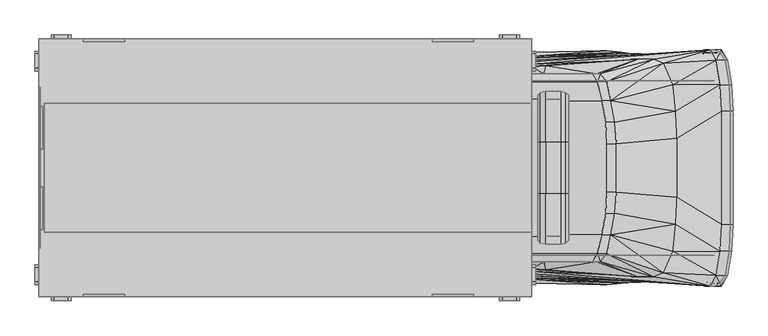
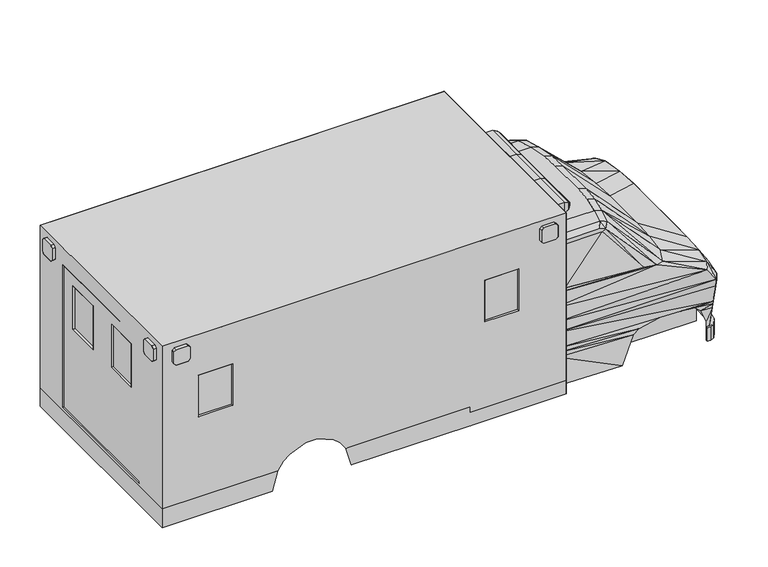
"""IFC4 building model written with IfcOpenShell, lengths in millimetres: proxy geometry."""

from ifc_helpers import new_model, si_unit, origin, place, context, project, spatial, triangles, source, transform, mapped, element, save


def entourage_f309a590(model_context):
    return source(origin(), model_context, "Body", "Tessellation", [
        triangles([(-25.4000008, -533.4, 558.8000484), (-25.4000008, -279.4000061, 558.8000484), (-76.2, -533.4, 558.8000484), (-76.2, -279.4000061, 558.8000484), (-25.4000008, -533.4, 393.7000606), (-25.4000008, -279.4000061, 393.7000242), (-126.999997, -1092.1999758, 558.8000848), (-76.2, -1015.9999758, 558.8000848), (-177.7999939, -1092.1999758, 558.8000848), (-126.999997, -1015.9999758, 558.8000848), (-38.1, -787.3999758, 558.8000484), (-88.899997, -787.3999758, 558.8000484), (-215.8999939, -1093.2835579, 558.8000848), (-215.8999939, -1117.6000242, 558.8000848), (-177.7999939, -1117.6000242, 558.8000848), (-177.7999939, -1117.6000242, 393.7000969), (-126.999997, -1092.1999758, 393.7000969), (-215.8999939, -1092.1999758, 393.7000969), (-215.8999939, -1117.6000242, 393.7000969), (-76.2, -1015.9999758, 393.7000969), (-38.1, -787.3999758, 393.7000606), (-25.4000008, 279.4000061, 558.7999394), (-25.4000008, 533.4, 558.7999394), (-76.2, 533.4, 558.7999394), (-76.2, 279.4000061, 558.7999394), (-25.4000008, 279.4000061, 393.6999879), (-25.4000008, 533.4, 393.6999516), (-76.2, 1015.9999758, 558.7999031), (-126.999997, 1092.1999758, 558.7999031), (-177.7999939, 1092.1999758, 558.7999031), (-126.999997, 1015.9999758, 558.7999031), (-38.1, 787.3999758, 558.7999394), (-88.899997, 787.3999758, 558.7999394), (-215.8999939, 1117.6000242, 558.7999031), (-215.8999939, 1093.2835579, 558.7999031), (-177.7999939, 1117.6000242, 558.7999031), (-177.7999939, 1117.6000242, 393.6999152), (-126.999997, 1092.1999758, 393.6999152), (-215.8999939, 1117.6000242, 393.6999152), (-215.8999939, 1092.1999758, 393.6999152), (-76.2, 1015.9999758, 393.6999152), (-38.1, 787.3999758, 393.6999152)], [[1, 2, 3], [3, 4, 2], [5, 6, 2], [2, 1, 5], [7, 8, 9], [10, 9, 8], [8, 11, 10], [12, 10, 11], [13, 14, 7], [15, 7, 14], [7, 15, 16], [16, 17, 7], [18, 19, 14], [14, 13, 18], [15, 14, 16], [19, 16, 14], [17, 20, 8], [8, 7, 17], [20, 21, 11], [11, 8, 20], [21, 5, 1], [1, 11, 21], [11, 1, 12], [3, 12, 1], [22, 23, 24], [24, 25, 22], [26, 27, 22], [23, 22, 27], [28, 29, 30], [30, 31, 28], [32, 28, 31], [31, 33, 32], [34, 35, 29], [29, 36, 34], [36, 29, 37], [38, 37, 29], [39, 40, 34], [35, 34, 40], [34, 36, 37], [37, 39, 34], [41, 38, 28], [29, 28, 38], [42, 41, 32], [28, 32, 41], [27, 42, 23], [32, 23, 42], [23, 32, 33], [33, 24, 23], [6, 26, 22], [22, 2, 6], [2, 22, 4], [25, 4, 22], [2, 22, 25], [4, 25, 2], [6, 26, 2], [2, 22, 26]], closed=False),
        triangles([(-6515.1, -609.6, 863.6001211), (-6515.1, -609.6, 482.6000484), (-1917.6999516, -609.6, 863.6001211), (-1917.6999516, -609.6, 482.6000484), (-6515.1, 609.6, 482.5999394), (-6515.1, 609.6, 863.5999031), (-1917.6999516, 609.6, 863.5999031), (-1917.6999516, 609.6, 482.5999394)], [[1, 2, 3], [4, 3, 2], [5, 6, 7], [7, 8, 5], [5, 2, 6], [1, 6, 2], [2, 5, 4], [8, 4, 5]], closed=False),
        triangles([(-533.4, -279.4000242, 1435.1000484), (-1104.9, -228.5999818, 2031.9999516), (-1117.6000242, -431.7999516, 2031.9999516), (-546.0999879, -533.4000363, 1435.1000484), (-1155.7000242, -634.9999758, 2031.9999516), (-571.5, -787.4000484, 1435.1000484), (-660.4000242, -990.6, 1447.8001453), (-1193.8000242, -812.7999516, 2019.3), (-901.6999758, -1028.7, 1485.9001453), (-1295.4, -889.0000242, 1968.5000484), (-1765.2999516, -965.1019197, 1496.454443), (-1790.7, -889.0000242, 1968.5000484), (-749.2999758, -1028.7, 1460.5000969), (-1257.3, -889.0000242, 1993.8999516), (-1104.9, 228.6000182, 2031.9999516), (-533.4, 279.3999697, 1435.1000484), (-1117.6000242, 431.8000606, 2031.9999516), (-546.0999879, 533.3999637, 1435.1000484), (-1155.7000242, 635.0000484, 2031.9999516), (-571.5, 787.3999758, 1435.0999031), (-660.4000242, 990.6, 1447.7998547), (-1193.8000242, 812.8000242, 2019.3), (-901.6999758, 1028.7, 1485.8998547), (-1295.4, 889.0000242, 1968.5000484), (-1765.2999516, 965.1019197, 1496.4541523), (-1790.7, 889.0000242, 1968.5000484), (-749.2999758, 1028.7, 1460.4999516), (-1257.3, 889.0000242, 1993.8999516)], [[1, 2, 3], [1, 3, 4], [4, 3, 5], [4, 5, 6], [7, 6, 5], [7, 5, 8], [9, 10, 11], [11, 10, 12], [13, 7, 8], [13, 8, 14], [15, 16, 17], [17, 16, 18], [17, 18, 19], [19, 18, 20], [20, 21, 19], [19, 21, 22], [23, 24, 25], [25, 24, 26], [21, 27, 22], [22, 27, 28], [1, 16, 15], [15, 2, 1], [1, 16, 2], [2, 15, 16]], closed=False),
        triangles([(-76.2, -533.4, 558.8000484), (-76.2, -279.4000242, 558.8000484), (-38.1, -279.4000061, 812.8000242), (-38.1, -533.4, 812.8000242), (0.0, -533.4, 1028.7), (0.0, -279.3999697, 1028.7), (-126.999997, -1015.9999758, 558.8000848), (-88.899997, -787.3999758, 558.8000484), (-50.8000015, -787.3999758, 812.8000969), (-88.899997, -1015.9999758, 812.8000969), (-76.2, 279.3999697, 558.7999394), (-76.2, 533.4, 558.7999394), (-38.1, 279.4000061, 812.7999516), (-38.1, 533.4, 812.7999516), (0.0, 533.4, 1028.7), (0.0, 279.4000242, 1028.7), (-88.899997, 787.3999758, 558.7999394), (-126.999997, 1015.9999758, 558.7999031), (-50.8000015, 787.3999758, 812.7999516), (-88.899997, 1015.9999758, 812.7998789)], [[1, 2, 3], [3, 4, 1], [4, 3, 5], [5, 6, 3], [7, 8, 9], [9, 10, 7], [8, 1, 4], [4, 9, 8], [11, 12, 13], [14, 13, 12], [13, 14, 15], [15, 16, 13], [17, 18, 19], [20, 19, 18], [12, 17, 14], [19, 14, 17], [2, 11, 13], [13, 3, 2], [3, 13, 6], [16, 6, 13], [3, 13, 16], [6, 16, 3], [2, 11, 3], [3, 13, 11]], closed=False),
        triangles([(-88.899997, 1015.9999758, 812.8000242), (-139.700003, 1092.1999758, 812.8000242), (-114.3, 1104.9, 1028.7), (-50.8000015, 1015.9999758, 1028.7)], [[1, 2, 3], [1, 3, 4]], closed=False),
        triangles([(-1117.6000242, -431.7999516, 2031.9999516), (-1104.9, -228.5999455, 2031.9999516), (-1206.4999758, -431.7999516, 2057.4), (-1193.8000242, -228.5999455, 2057.4), (-1771.3641163, -647.6999273, 2222.4999516), (-1771.3641163, -647.6999273, 2171.7), (-1631.6642132, -647.6999273, 2222.4999516), (-1631.6642132, -647.6999273, 2171.7), (-2286.0, -1219.1999273, 2247.9001453), (-1905.0, -1219.1999273, 2616.2001938), (-3009.9, -1219.1999273, 2247.9001453), (-3009.9, -1219.1999273, 2616.2001938), (-1333.5, -889.0000242, 2019.3), (-1295.4, -889.0000242, 1968.5000484), (-1257.3, -889.0000242, 1993.8999516), (-1905.0, -889.0000242, 2019.3), (-1790.7, -889.0000242, 1968.5000484), (-1282.7000484, -812.7999516, 2044.7000484), (-1905.0, -812.7999516, 2044.7000484), (-1902.2000256, -955.6152168, 1498.6000969), (-1765.2999516, -965.1019197, 1496.454443), (-2451.1000969, -1193.7998789, 2120.9001938), (-2451.1000969, -1219.1999273, 2120.9001938), (-2844.7999031, -1219.1999273, 2120.9001938), (-2844.7999031, -1193.7998789, 2120.9001938), (-2844.7999031, -1193.8000242, 1612.9000969), (-2844.7999031, -1219.2, 1612.9000969), (-2451.1000969, -1219.2, 1612.9000969), (-2451.1000969, -1193.8000242, 1612.9000969), (-1244.6000484, -634.9999758, 2057.4), (-1905.0, -634.9999758, 2057.4), (-749.2999758, -1028.7, 1460.5000969), (-901.6999758, -1028.7, 1485.9001453), (-1902.2000256, -960.1545473, 1460.5000969), (-1193.8000242, -812.7999516, 2019.3), (-1155.7000242, -634.9999758, 2031.9999516), (-1905.0, -431.7999516, 2057.4), (-1905.0, -228.5999455, 2057.4), (0.0, -533.4000363, 1028.7), (0.0, -279.4000424, 1028.7), (0.0, -279.4000242, 1104.9), (0.0, -533.4000363, 1104.9), (-114.3, -1104.9, 1028.7000727), (-50.8000015, -1015.9999758, 1028.7000727), (-50.8000015, -1015.9999758, 1104.9000727), (-114.3, -1117.6000242, 1117.6000969), (-12.7000004, -787.4000484, 1028.7000727), (-12.7000004, -787.4000484, 1104.9000727), (-177.7999939, -1092.2001211, 558.8000848), (-126.999997, -1016.0001211, 558.8000848), (-88.899997, -1016.0001211, 812.8000969), (-139.700003, -1092.2001211, 812.8000969), (-167.9862579, -1092.2001211, 622.3000969), (-215.8999939, -1093.2836306, 622.3000969), (-215.8999939, -1093.2836306, 558.8000848), (-145.6922699, -1092.2001211, 762.0000727), (-279.4000061, -1090.5215899, 774.7000969), (-342.9, -1080.8544474, 825.5001211), (-135.5076172, -1092.2001211, 838.2000727), (-507.9999879, -1080.6250282, 841.0642874), (-1892.3000484, -825.5001211, 457.2000363), (-177.7999939, -825.5001211, 457.2000363), (-1905.0, -825.5001211, 901.7001211), (-177.7999939, -825.5001211, 901.7001211), (-1905.0, -1003.5843092, 1143.0000727), (-1905.0, -1019.6292601, 1028.7000727), (-1898.6115818, -1039.3972395, 850.9000969), (-1899.4102249, -1046.4658487, 800.1000727), (-990.6, -1084.9975084, 800.1000727), (-749.2999758, -1075.0908457, 843.8744356), (-1054.0999758, -1091.9026102, 749.3001211), (-1900.2853168, -1053.483589, 749.3001211), (-1905.0, -1092.2001211, 431.8000969), (-1193.8000242, -1105.5898561, 431.8000969), (-215.8999939, -1117.6000242, 1270.0000969), (-1905.0, -980.0643785, 1308.1000969), (-660.4000242, -990.6, 1447.8001453), (-165.1000061, -1015.9999758, 1282.7000484), (-1905.0, -1092.2001211, 444.5000848), (-1905.0, -1041.4000969, 444.5000848), (-571.5, -787.3999758, 1435.1000484), (-126.999997, -787.3999758, 1282.7000484), (-546.0999879, -533.4, 1435.1000484), (-114.3, -533.4, 1282.7000484), (-1905.0, -787.4001211, 444.5000484), (-1905.0, -533.400109, 444.5000484), (-533.4, -279.4000061, 1435.1000484), (-114.3, -279.4000242, 1282.7000484), (-1905.0, -228.6000908, 444.5000121), (-2286.0, -1219.2001453, 571.500109), (-1905.0, -1219.2001453, 571.500109), (-3009.9, -1219.2001453, 571.500109), (-6553.2, 7.88e-05, 2412.9999516), (-6553.2, -177.7999394, 2260.5999516), (-6553.2, -761.9999273, 2412.9999516), (-6553.2, -584.1999516, 2260.5999516), (-6527.7998062, -584.1999516, 2260.5999516), (-6527.7998062, -177.7999394, 2260.5999516), (-6565.8998062, 7.88e-05, 2412.9999516), (-6565.8998062, -761.9999273, 2412.9999516), (-6527.7998062, -177.7999758, 1727.1999516), (-6553.2, -177.7999758, 1727.1999516), (-6527.7998062, -584.1999879, 1727.1999516), (-6553.2, -584.1999879, 1727.1999516), (-5753.1, -1219.1999273, 2120.9001938), (-5753.1, -1193.7998789, 2120.9001938), (-6146.7998062, -1193.7998789, 2120.9001938), (-6146.7998062, -1219.1999273, 2120.9001938), (-6146.7998062, -1219.2, 1612.9000969), (-6146.7998062, -1193.8000242, 1612.9000969), (-5753.1, -1193.8000242, 1612.9000969), (-5753.1, -1219.2, 1612.9000969), (-6565.8998062, -1219.1999273, 2616.2001938), (-5753.1, -1219.1999273, 2616.2001938), (-6565.8998062, -762.0000727, 673.1000484), (-6553.2, -762.0000727, 673.1000484), (-6553.2, -7.33e-05, 673.0999758), (-6565.8998062, -7.33e-05, 673.0999758), (-6565.8998062, -1219.2001453, 787.4001211), (-5092.7001938, -1219.2001453, 787.4001211), (-6565.8998062, -1219.2001453, 863.6001211), (-4902.2001938, -1219.2001453, 863.6001211), (-6565.8998062, -1219.2001453, 723.9000727), (-5168.9001938, -1219.2001453, 723.9000727), (-6565.8998062, -1219.2001453, 635.0001211), (-5232.3998062, -1219.2001453, 635.0001211), (-5753.1, -1219.2001453, 863.6001211), (-4444.9999031, -1219.2001453, 635.0001211), (-3009.9, -1219.2001453, 635.0001211), (-3009.9, -1219.2001453, 723.9000727), (-4508.5000969, -1219.2001453, 723.9000727), (-4584.7000969, -1219.2001453, 787.4001211), (-3009.9, -1219.2001453, 787.4001211), (-3009.9, -1219.2001453, 863.6001211), (-4775.2000969, -1219.2001453, 863.6001211), (-1104.9, 228.6000545, 2031.9999516), (-1117.6000242, 431.8000606, 2031.9999516), (-1206.4999758, 431.8000606, 2057.4), (-1193.8000242, 228.6000545, 2057.4), (-1771.3641163, 647.7000727, 2222.4999516), (-1771.3641163, 647.7000727, 2171.7), (-1631.6642132, 647.7000727, 2222.4999516), (-1631.6642132, 647.7000727, 2171.7), (-2286.0, 1219.2001453, 2247.8998547), (-1905.0, 1219.2001453, 2616.1999031), (-3009.9, 1219.2001453, 2247.8998547), (-3009.9, 1219.2001453, 2616.1999031), (-1295.4, 889.0000242, 1968.5000484), (-1333.5, 889.0000242, 2019.3), (-1257.3, 889.0000242, 1993.8999516), (-1790.7, 889.0000242, 1968.5000484), (-1905.0, 889.0000242, 2019.3), (-1282.7000484, 812.8000242, 2044.7000484), (-1905.0, 812.8000242, 2044.7000484), (-1902.2000256, 955.6152168, 1498.5999516), (-1765.2999516, 965.1019197, 1496.4541523), (-2451.1000969, 1193.8000969, 2120.8997578), (-2451.1000969, 1219.2001453, 2120.8997578), (-2844.7999031, 1219.2001453, 2120.8997578), (-2844.7999031, 1193.8000969, 2120.8997578), (-2844.7999031, 1193.8000242, 1612.8999516), (-2844.7999031, 1219.2, 1612.8999516), (-2451.1000969, 1219.2, 1612.8999516), (-2451.1000969, 1193.8000242, 1612.8999516), (-1244.6000484, 635.0000484, 2057.4), (-1905.0, 635.0000484, 2057.4), (-901.6999758, 1028.7, 1485.8998547), (-749.2999758, 1028.7, 1460.4999516), (-1902.2000256, 960.1545473, 1460.4999516), (-1193.8000242, 812.8000242, 2019.3), (-1155.7000242, 635.0000484, 2031.9999516), (-1905.0, 431.8000606, 2057.4), (-1905.0, 228.6000545, 2057.4), (0.0, 279.3999516, 1028.7), (0.0, 533.3999637, 1028.7), (0.0, 279.3999697, 1104.9), (0.0, 533.3999637, 1104.9), (-50.8000015, 1015.9999758, 1028.6999273), (-114.3, 1104.9, 1028.6999273), (-50.8000015, 1015.9999758, 1104.8999273), (-114.3, 1117.6000242, 1117.5998789), (-12.7000004, 787.3999758, 1028.6999273), (-12.7000004, 787.3999758, 1104.8999273), (-126.999997, 1015.9999031, 558.7999031), (-177.7999939, 1092.1999031, 558.7999031), (-88.899997, 1015.9999031, 812.7998789), (-139.700003, 1092.1999031, 812.7998789), (-167.9862579, 1092.1999031, 622.2998789), (-215.8999939, 1093.2834852, 622.2998789), (-215.8999939, 1093.2834852, 558.7999031), (-145.6922699, 1092.1999031, 761.9999273), (-279.4000061, 1090.5214445, 774.6998789), (-342.9, 1080.854302, 825.4999031), (-135.5076172, 1092.1999031, 838.1999273), (-507.9999879, 1080.6248102, 841.0640694), (-1892.3000484, 825.4999031, 457.1999637), (-177.7999939, 825.4999031, 457.1999637), (-1905.0, 825.4999031, 901.6999031), (-177.7999939, 825.4999031, 901.6999031), (-1905.0, 1019.6292601, 1028.6999273), (-1905.0, 1003.5843092, 1142.9999273), (-1898.6115818, 1039.3970215, 850.8998789), (-1899.4102249, 1046.4657034, 800.0999273), (-990.6, 1084.9973631, 800.0999273), (-749.2999758, 1075.0907003, 843.8742903), (-1054.0999758, 1091.9024649, 749.2999031), (-1900.2853168, 1053.483371, 749.2999031), (-1905.0, 1092.1999031, 431.7999152), (-1193.8000242, 1105.5897108, 431.7999152), (-215.8999939, 1117.6000242, 1269.9999516), (-1905.0, 980.0643785, 1308.0999516), (-660.4000242, 990.6, 1447.7998547), (-165.1000061, 1015.9999758, 1282.6999031), (-1905.0, 1092.1999031, 444.4999031), (-1905.0, 1041.3998789, 444.4999031), (-126.999997, 787.3999758, 1282.6999031), (-571.5, 787.3999758, 1435.0999031), (-546.0999879, 533.4, 1435.1000484), (-114.3, 533.4, 1282.7000484), (-1905.0, 787.3999031, 444.4999394), (-1905.0, 533.399891, 444.4999394), (-533.4, 279.4000061, 1435.1000484), (-114.3, 279.3999697, 1282.7000484), (-1905.0, 228.5999092, 444.5000121), (-2286.0, 1219.1999273, 571.499891), (-1905.0, 1219.1999273, 571.499891), (-3009.9, 1219.1999273, 571.499891), (-6553.2, 177.8000666, 2260.5999516), (-6553.2, 762.0000727, 2412.9999516), (-6553.2, 584.2000606, 2260.5999516), (-6527.7998062, 584.2000606, 2260.5999516), (-6527.7998062, 177.8000666, 2260.5999516), (-6565.8998062, 762.0000727, 2412.9999516), (-6553.2, 177.8000303, 1727.1999516), (-6527.7998062, 177.8000303, 1727.1999516), (-6527.7998062, 584.1999879, 1727.1999516), (-6553.2, 584.1999879, 1727.1999516), (-5753.1, 1193.8000969, 2120.8997578), (-5753.1, 1219.2001453, 2120.8997578), (-6146.7998062, 1193.8000969, 2120.8997578), (-6146.7998062, 1219.2001453, 2120.8997578), (-6146.7998062, 1193.8000242, 1612.8999516), (-6146.7998062, 1219.2, 1612.8999516), (-5753.1, 1193.8000242, 1612.8999516), (-5753.1, 1219.2, 1612.8999516), (-6565.8998062, 1219.2001453, 2616.1999031), (-5753.1, 1219.2001453, 2616.1999031), (-6553.2, 761.9999273, 673.0999758), (-6565.8998062, 761.9999273, 673.0999758), (-6565.8998062, 1219.1999273, 787.3999031), (-5092.7001938, 1219.1999273, 787.3999031), (-6565.8998062, 1219.1999273, 863.5999031), (-4902.2001938, 1219.1999273, 863.5999031), (-6565.8998062, 1219.1999273, 723.8999273), (-5168.9001938, 1219.1999273, 723.8999273), (-6565.8998062, 1219.1999273, 634.9999031), (-5232.3998062, 1219.1999273, 634.9999031), (-5753.1, 1219.1999273, 863.5999031), (-4444.9999031, 1219.1999273, 634.9999031), (-3009.9, 1219.1999273, 634.9999031), (-3009.9, 1219.1999273, 723.8999273), (-4508.5000969, 1219.1999273, 723.8999273), (-4584.7000969, 1219.1999273, 787.3999031), (-3009.9, 1219.1999273, 787.3999031), (-3009.9, 1219.1999273, 863.5999031), (-4775.2000969, 1219.1999273, 863.5999031), (-1905.0, -647.6999273, 2171.7), (-1625.6000484, -647.6999273, 2171.7), (-1625.6000484, 647.7000727, 2171.7), (-1905.0, 647.7000727, 2171.7), (-1580.864407, -241.2999334, 2324.1), (-1580.864407, 241.3000787, 2324.1), (-1631.6642132, 241.3000787, 2349.5000484), (-1631.6642132, -241.2999334, 2349.5000484), (-1555.4643585, -241.2999334, 2260.5999516), (-1555.4643585, 241.3000787, 2260.5999516), (-1555.4643585, 241.3000787, 2298.6999516), (-1555.4643585, -241.2999334, 2298.6999516), (-1771.3641163, -241.2999334, 2349.5000484), (-1771.3641163, 241.3000787, 2349.5000484), (-1822.1642132, 241.3000787, 2324.1), (-1822.1642132, -241.2999334, 2324.1), (-1847.5641163, -241.2999334, 2298.6999516), (-1847.5641163, 241.3000787, 2298.6999516), (-1847.5641163, 241.3000787, 2260.5999516), (-1847.5641163, -241.2999334, 2260.5999516), (-1631.6642132, -241.2999334, 2222.4999516), (-1631.6642132, 241.3000787, 2222.4999516), (-1580.864407, 241.3000787, 2235.2000484), (-1580.864407, -241.2999334, 2235.2000484), (-1822.1642132, -241.2999334, 2235.2000484), (-1822.1642132, 241.3000787, 2235.2000484), (-1771.3641163, 241.3000787, 2222.4999516), (-1771.3641163, -241.2999334, 2222.4999516), (-1905.0, -1219.2001453, 406.4000848), (-1905.0, 1219.1999273, 406.3999031)], [[1, 2, 3], [4, 3, 2], [5, 6, 7], [8, 7, 6], [9, 10, 11], [12, 11, 10], [13, 14, 15], [16, 17, 13], [14, 13, 17], [13, 18, 19], [19, 16, 13], [16, 20, 17], [17, 20, 21], [22, 23, 24], [24, 25, 22], [26, 27, 28], [28, 29, 26], [25, 24, 26], [27, 26, 24], [29, 28, 22], [23, 22, 28], [23, 9, 11], [11, 24, 23], [18, 30, 31], [31, 19, 18], [32, 33, 34], [34, 33, 20], [32, 15, 33], [33, 15, 14], [13, 15, 18], [18, 15, 35], [36, 1, 30], [3, 30, 1], [30, 3, 37], [37, 31, 30], [35, 36, 18], [30, 18, 36], [3, 4, 38], [38, 37, 3], [39, 40, 41], [41, 42, 39], [43, 44, 45], [43, 45, 46], [44, 47, 48], [48, 45, 44], [49, 50, 51], [51, 52, 49], [53, 54, 49], [49, 54, 55], [56, 57, 54], [56, 54, 53], [56, 52, 57], [57, 52, 58], [59, 60, 58], [59, 58, 52], [47, 39, 42], [42, 48, 47], [61, 62, 63], [64, 63, 62], [65, 66, 46], [46, 66, 43], [59, 43, 66], [59, 66, 67], [68, 69, 67], [67, 69, 70], [71, 69, 68], [71, 68, 72], [73, 74, 72], [72, 74, 71], [75, 32, 76], [76, 32, 34], [32, 75, 77], [77, 75, 78], [16, 19, 79], [80, 79, 19], [81, 82, 83], [83, 82, 84], [31, 37, 85], [86, 85, 37], [19, 31, 80], [85, 80, 31], [77, 78, 81], [81, 78, 82], [83, 84, 87], [87, 84, 88], [37, 38, 86], [89, 86, 38], [90, 91, 10], [10, 9, 90], [24, 11, 27], [92, 27, 11], [27, 92, 90], [90, 28, 27], [28, 90, 23], [9, 23, 90], [93, 94, 95], [96, 95, 94], [97, 96, 98], [94, 98, 96], [99, 93, 95], [95, 100, 99], [101, 102, 103], [104, 103, 102], [98, 94, 102], [102, 101, 98], [103, 104, 96], [96, 97, 103], [105, 106, 107], [107, 108, 105], [109, 110, 111], [111, 112, 109], [108, 107, 109], [110, 109, 107], [112, 111, 105], [106, 105, 111], [108, 113, 114], [114, 105, 108], [115, 116, 117], [117, 118, 115], [119, 120, 121], [122, 121, 120], [123, 124, 120], [120, 119, 123], [125, 126, 123], [124, 123, 126], [112, 127, 121], [121, 109, 112], [109, 121, 108], [113, 108, 121], [95, 96, 104], [104, 116, 95], [116, 104, 117], [102, 117, 104], [117, 102, 94], [94, 93, 117], [113, 100, 125], [115, 125, 100], [100, 95, 115], [116, 115, 95], [128, 129, 130], [130, 131, 128], [131, 130, 132], [133, 132, 130], [132, 133, 134], [134, 135, 132], [114, 127, 12], [134, 12, 127], [136, 137, 138], [138, 139, 136], [140, 141, 142], [143, 142, 141], [144, 145, 146], [147, 146, 145], [148, 149, 150], [151, 152, 149], [149, 148, 151], [153, 149, 154], [152, 154, 149], [155, 152, 151], [155, 151, 156], [157, 158, 159], [159, 160, 157], [161, 162, 163], [163, 164, 161], [160, 159, 161], [162, 161, 159], [164, 163, 157], [158, 157, 163], [158, 144, 146], [146, 159, 158], [165, 153, 166], [154, 166, 153], [167, 168, 169], [167, 169, 155], [150, 168, 167], [150, 167, 148], [150, 149, 153], [150, 153, 170], [137, 171, 165], [165, 138, 137], [138, 165, 172], [166, 172, 165], [171, 170, 153], [153, 165, 171], [139, 138, 173], [172, 173, 138], [174, 175, 176], [177, 176, 175], [178, 179, 180], [180, 179, 181], [182, 178, 183], [180, 183, 178], [184, 185, 186], [187, 186, 185], [188, 189, 185], [185, 189, 190], [191, 192, 189], [191, 189, 188], [191, 187, 192], [192, 187, 193], [194, 195, 193], [194, 193, 187], [175, 182, 177], [183, 177, 182], [196, 197, 198], [199, 198, 197], [200, 201, 181], [200, 181, 179], [179, 194, 200], [200, 194, 202], [203, 204, 202], [202, 204, 205], [206, 204, 203], [206, 203, 207], [208, 209, 207], [207, 209, 206], [168, 210, 211], [168, 211, 169], [210, 168, 212], [210, 212, 213], [154, 152, 214], [214, 215, 154], [216, 217, 218], [216, 218, 219], [172, 166, 220], [220, 221, 172], [166, 154, 215], [215, 220, 166], [213, 212, 217], [213, 217, 216], [219, 218, 222], [219, 222, 223], [173, 172, 221], [221, 224, 173], [225, 226, 145], [145, 144, 225], [159, 146, 162], [227, 162, 146], [162, 227, 225], [225, 163, 162], [163, 225, 158], [144, 158, 225], [228, 93, 229], [229, 230, 228], [230, 231, 232], [232, 228, 230], [93, 99, 229], [233, 229, 99], [234, 235, 236], [236, 237, 234], [228, 232, 234], [235, 234, 232], [237, 236, 230], [231, 230, 236], [238, 239, 240], [241, 240, 239], [242, 243, 244], [245, 244, 243], [240, 241, 243], [243, 242, 240], [244, 245, 239], [239, 238, 244], [246, 241, 247], [239, 247, 241], [248, 249, 117], [118, 117, 249], [250, 251, 252], [253, 252, 251], [254, 255, 251], [251, 250, 254], [256, 257, 254], [255, 254, 257], [258, 245, 252], [243, 252, 245], [252, 243, 241], [241, 246, 252], [230, 229, 237], [248, 237, 229], [237, 248, 117], [117, 234, 237], [234, 117, 228], [93, 228, 117], [233, 246, 256], [256, 249, 233], [229, 233, 249], [249, 248, 229], [259, 260, 261], [261, 262, 259], [262, 261, 263], [264, 263, 261], [263, 264, 265], [265, 266, 263], [247, 258, 147], [265, 147, 258], [267, 268, 269], [269, 270, 267], [271, 272, 273], [273, 274, 271], [275, 276, 277], [277, 278, 275], [278, 277, 271], [272, 271, 277], [279, 280, 281], [281, 282, 279], [283, 284, 285], [285, 286, 283], [282, 281, 283], [284, 283, 281], [274, 273, 279], [280, 279, 273], [287, 288, 289], [289, 290, 287], [291, 292, 293], [293, 294, 291], [294, 293, 287], [288, 287, 293], [286, 285, 291], [292, 291, 285], [290, 289, 275], [276, 275, 289], [246, 233, 100], [100, 113, 246], [125, 115, 249], [249, 256, 125], [40, 174, 176], [176, 41, 40], [88, 223, 87], [87, 222, 223], [2, 136, 4], [139, 4, 136], [4, 139, 173], [173, 38, 4], [38, 173, 89], [89, 224, 173], [295, 296, 10], [145, 10, 296], [10, 145, 246], [246, 113, 10], [38, 173, 224], [224, 89, 38], [4, 139, 38], [173, 38, 139], [2, 136, 139], [4, 139, 2], [88, 223, 222], [222, 87, 88], [40, 174, 41], [41, 176, 174]], closed=False),
        triangles([(-2451.1000969, -1193.8000242, 2120.9001938), (-2844.7999031, -1193.8000242, 2120.9001938), (-2451.1000969, -1193.8000242, 1612.9000969), (-2844.7999031, -1193.8000242, 1612.9000969), (-6527.7998062, -177.7999758, 2260.5999516), (-6527.7998062, -584.1999516, 2260.5999516), (-6527.7998062, -177.8000303, 1727.1999516), (-6527.7998062, -584.1999879, 1727.1999516), (-5753.1, -1193.8000242, 2120.9001938), (-6146.7998062, -1193.8000242, 2120.9001938), (-5753.1, -1193.8000242, 1612.9000969), (-6146.7998062, -1193.8000242, 1612.9000969), (-2451.1000969, 1193.8000242, 2120.8997578), (-2844.7999031, 1193.8000242, 2120.8997578), (-2451.1000969, 1193.8000242, 1612.8999516), (-2844.7999031, 1193.8000242, 1612.8999516), (-6527.7998062, 584.2000606, 2260.5999516), (-6527.7998062, 177.8000303, 2260.5999516), (-6527.7998062, 177.7999758, 1727.1999516), (-6527.7998062, 584.1999879, 1727.1999516), (-5753.1, 1193.8000242, 2120.8997578), (-6146.7998062, 1193.8000242, 2120.8997578), (-5753.1, 1193.8000242, 1612.8999516), (-6146.7998062, 1193.8000242, 1612.8999516)], [[1, 2, 3], [4, 3, 2], [5, 6, 7], [8, 7, 6], [9, 10, 11], [12, 11, 10], [13, 14, 15], [16, 15, 14], [17, 18, 19], [19, 20, 17], [21, 22, 23], [24, 23, 22]], closed=False),
        triangles([(-139.700003, -1092.1999758, 812.8000242), (-88.899997, -1015.9999758, 812.8000242), (-114.3, -1104.9, 1028.7), (-50.8000015, -1015.9999758, 1028.7)], [[1, 2, 3], [3, 2, 4]], closed=False),
        triangles([(-1866.9, -939.7999758, 2552.7), (-1905.0, -939.7999758, 2552.7), (-1866.9, -1079.5000242, 2552.7), (-1905.0, -1079.5000242, 2552.7), (-1866.9, -939.7999758, 2362.2), (-1905.0, -939.7999758, 2362.2), (-1905.0, -914.4, 2387.6000484), (-1866.9, -914.4, 2387.6000484), (-1866.9, -914.4, 2527.3000969), (-1905.0, -914.4, 2527.3000969), (-1866.9, -1104.9, 2527.3000969), (-1905.0, -1104.9, 2527.3000969), (-1866.9, -1104.9, 2387.6000484), (-1905.0, -1104.9, 2387.6000484), (-1905.0, -1079.5000242, 2362.2), (-1866.9, -1079.5000242, 2362.2), (-2044.7000484, -1257.3, 2552.7002907), (-2044.7000484, -1219.2, 2552.7002907), (-2184.3999516, -1257.3, 2552.7002907), (-2184.3999516, -1219.2, 2552.7002907), (-2044.7000484, -1257.3, 2362.2001453), (-2044.7000484, -1219.2, 2362.2001453), (-2019.3, -1219.2, 2387.6001938), (-2019.3, -1257.3, 2387.6001938), (-2209.8, -1257.3, 2387.6001938), (-2209.8, -1219.2, 2387.6001938), (-2184.3999516, -1219.2, 2362.2001453), (-2184.3999516, -1257.3, 2362.2001453), (-2019.3, -1257.3, 2527.3000969), (-2209.8, -1257.3, 2527.3000969), (-2209.8, -1219.2, 2527.3000969), (-2019.3, -1219.2, 2527.3000969), (-6286.5, -1257.3, 2362.2001453), (-6286.5, -1219.2, 2362.2001453), (-6261.0998062, -1219.2, 2387.6001938), (-6261.0998062, -1257.3, 2387.6001938), (-6261.0998062, -1257.3, 2527.3000969), (-6261.0998062, -1219.2, 2527.3000969), (-6286.5, -1219.2, 2552.7002907), (-6286.5, -1257.3, 2552.7002907), (-6565.8998062, -939.7999758, 2552.7), (-6603.9998062, -939.7999758, 2552.7), (-6603.9998062, -1079.5000242, 2552.7), (-6565.8998062, -1079.5000242, 2552.7), (-6565.8998062, -939.7999758, 2362.2), (-6603.9998062, -939.7999758, 2362.2), (-6565.8998062, -914.4, 2387.6000484), (-6603.9998062, -914.4, 2387.6000484), (-6603.9998062, -914.4, 2527.3000969), (-6565.8998062, -914.4, 2527.3000969), (-6565.8998062, -1104.9, 2527.3000969), (-6603.9998062, -1104.9, 2527.3000969), (-6603.9998062, -1104.9, 2387.6000484), (-6565.8998062, -1104.9, 2387.6000484), (-6565.8998062, -1079.5000242, 2362.2), (-6603.9998062, -1079.5000242, 2362.2), (-6451.5998062, -1257.3, 2387.6001938), (-6451.5998062, -1219.2, 2387.6001938), (-6426.2001938, -1219.2, 2362.2001453), (-6426.2001938, -1257.3, 2362.2001453), (-6451.5998062, -1257.3, 2527.3000969), (-6451.5998062, -1219.2, 2527.3000969), (-6426.2001938, -1257.3, 2552.7002907), (-6426.2001938, -1219.2, 2552.7002907), (-1905.0, 939.7999758, 2552.7), (-1866.9, 939.7999758, 2552.7), (-1866.9, 1079.5000242, 2552.7), (-1905.0, 1079.5000242, 2552.7), (-1905.0, 939.7999758, 2362.2), (-1866.9, 939.7999758, 2362.2), (-1905.0, 914.4, 2387.6000484), (-1866.9, 914.4, 2387.6000484), (-1866.9, 914.4, 2527.3000969), (-1905.0, 914.4, 2527.3000969), (-1905.0, 1104.9, 2527.3000969), (-1866.9, 1104.9, 2527.3000969), (-1866.9, 1104.9, 2387.6000484), (-1905.0, 1104.9, 2387.6000484), (-1905.0, 1079.5000242, 2362.2), (-1866.9, 1079.5000242, 2362.2), (-2044.7000484, 1219.2, 2552.6997093), (-2044.7000484, 1257.3, 2552.6997093), (-2184.3999516, 1257.3, 2552.6997093), (-2184.3999516, 1219.2, 2552.6997093), (-2044.7000484, 1219.2, 2362.1998547), (-2044.7000484, 1257.3, 2362.1998547), (-2019.3, 1219.2, 2387.5997578), (-2019.3, 1257.3, 2387.5997578), (-2209.8, 1219.2, 2387.5997578), (-2209.8, 1257.3, 2387.5997578), (-2184.3999516, 1219.2, 2362.1998547), (-2184.3999516, 1257.3, 2362.1998547), (-2209.8, 1257.3, 2527.2998062), (-2019.3, 1257.3, 2527.2998062), (-2209.8, 1219.2, 2527.2998062), (-2019.3, 1219.2, 2527.2998062), (-6286.5, 1219.2, 2362.1998547), (-6286.5, 1257.3, 2362.1998547), (-6261.0998062, 1219.2, 2387.5997578), (-6261.0998062, 1257.3, 2387.5997578), (-6261.0998062, 1257.3, 2527.2998062), (-6261.0998062, 1219.2, 2527.2998062), (-6286.5, 1219.2, 2552.6997093), (-6286.5, 1257.3, 2552.6997093), (-6603.9998062, 939.7999758, 2552.7), (-6565.8998062, 939.7999758, 2552.7), (-6603.9998062, 1079.5000242, 2552.7), (-6565.8998062, 1079.5000242, 2552.7), (-6603.9998062, 939.7999758, 2362.2), (-6565.8998062, 939.7999758, 2362.2), (-6565.8998062, 914.4, 2387.6000484), (-6603.9998062, 914.4, 2387.6000484), (-6603.9998062, 914.4, 2527.3000969), (-6565.8998062, 914.4, 2527.3000969), (-6603.9998062, 1104.9, 2527.3000969), (-6565.8998062, 1104.9, 2527.3000969), (-6603.9998062, 1104.9, 2387.6000484), (-6565.8998062, 1104.9, 2387.6000484), (-6565.8998062, 1079.5000242, 2362.2), (-6603.9998062, 1079.5000242, 2362.2), (-6451.5998062, 1219.2, 2387.5997578), (-6451.5998062, 1257.3, 2387.5997578), (-6426.2001938, 1219.2, 2362.1998547), (-6426.2001938, 1257.3, 2362.1998547), (-6451.5998062, 1219.2, 2527.2998062), (-6451.5998062, 1257.3, 2527.2998062), (-6426.2001938, 1219.2, 2552.6997093), (-6426.2001938, 1257.3, 2552.6997093)], [[1, 2, 3], [4, 3, 2], [5, 6, 7], [7, 8, 5], [8, 7, 9], [10, 9, 7], [11, 12, 13], [14, 13, 12], [13, 14, 15], [15, 16, 13], [16, 15, 5], [6, 5, 15], [8, 13, 5], [16, 5, 13], [9, 11, 13], [13, 8, 9], [1, 3, 9], [11, 9, 3], [3, 4, 12], [12, 11, 3], [9, 10, 2], [2, 1, 9], [17, 18, 19], [20, 19, 18], [21, 22, 23], [23, 24, 21], [25, 26, 27], [27, 28, 25], [24, 25, 21], [28, 21, 25], [28, 27, 21], [22, 21, 27], [29, 30, 25], [25, 24, 29], [30, 31, 25], [26, 25, 31], [24, 23, 29], [32, 29, 23], [17, 19, 29], [30, 29, 19], [19, 20, 31], [31, 30, 19], [29, 32, 18], [18, 17, 29], [33, 34, 35], [35, 36, 33], [36, 35, 37], [38, 37, 35], [37, 38, 39], [39, 40, 37], [41, 42, 43], [43, 44, 41], [45, 46, 47], [48, 47, 46], [47, 48, 49], [49, 50, 47], [51, 52, 53], [53, 54, 51], [54, 53, 55], [56, 55, 53], [55, 56, 46], [46, 45, 55], [52, 49, 53], [48, 53, 49], [53, 48, 46], [46, 56, 53], [50, 49, 41], [42, 41, 49], [44, 43, 51], [52, 51, 43], [43, 42, 49], [49, 52, 43], [57, 58, 59], [59, 60, 57], [61, 62, 57], [58, 57, 62], [63, 64, 62], [62, 61, 63], [60, 59, 33], [34, 33, 59], [36, 57, 33], [60, 33, 57], [40, 63, 37], [61, 37, 63], [37, 61, 57], [57, 36, 37], [40, 39, 63], [64, 63, 39], [65, 66, 67], [67, 68, 65], [69, 70, 71], [72, 71, 70], [71, 72, 73], [73, 74, 71], [75, 76, 77], [77, 78, 75], [78, 77, 79], [80, 79, 77], [79, 80, 70], [70, 69, 79], [77, 72, 70], [70, 80, 77], [76, 73, 77], [72, 77, 73], [67, 66, 73], [73, 76, 67], [68, 67, 75], [76, 75, 67], [74, 73, 65], [66, 65, 73], [81, 82, 83], [83, 84, 81], [85, 86, 87], [88, 87, 86], [89, 90, 91], [92, 91, 90], [90, 88, 86], [86, 92, 90], [91, 92, 86], [86, 85, 91], [93, 94, 90], [88, 90, 94], [95, 93, 90], [90, 89, 95], [87, 88, 94], [94, 96, 87], [83, 82, 94], [94, 93, 83], [84, 83, 95], [93, 95, 83], [96, 94, 81], [82, 81, 94], [97, 98, 99], [100, 99, 98], [99, 100, 101], [101, 102, 99], [102, 101, 103], [104, 103, 101], [105, 106, 107], [108, 107, 106], [109, 110, 111], [111, 112, 109], [112, 111, 113], [114, 113, 111], [115, 116, 117], [118, 117, 116], [117, 118, 119], [119, 120, 117], [120, 119, 109], [110, 109, 119], [113, 115, 117], [117, 112, 113], [112, 117, 109], [120, 109, 117], [113, 114, 106], [106, 105, 113], [107, 108, 116], [116, 115, 107], [105, 107, 113], [115, 113, 107], [121, 122, 123], [124, 123, 122], [125, 126, 122], [122, 121, 125], [127, 128, 125], [126, 125, 128], [123, 124, 98], [98, 97, 123], [122, 100, 98], [98, 124, 122], [128, 104, 101], [101, 126, 128], [126, 101, 122], [100, 122, 101], [103, 104, 128], [128, 127, 103]], closed=False),
        triangles([(-1555.4642132, -685.8, 2260.5999516), (-1555.4642132, -685.8, 2298.6999516), (-1580.8642616, -711.1999758, 2324.1), (-1580.8642616, -711.1999758, 2235.2000484), (-1631.6642132, -723.9, 2222.4999516), (-1631.6642132, -723.9, 2349.5000484), (-1847.5641163, -685.8, 2298.6999516), (-1847.5641163, -685.8, 2260.5999516), (-1822.1642132, -711.1999758, 2324.1), (-1822.1642132, -711.1999758, 2235.2000484), (-1771.3641163, -723.9, 2222.4999516), (-1771.3641163, -723.9, 2349.5000484), (-1555.4642132, -241.3000061, 2260.5999516), (-1555.4642132, -241.3000061, 2298.6999516), (-1847.5641163, -241.3000061, 2298.6999516), (-1847.5641163, -241.3000061, 2260.5999516), (-1631.6642132, -241.3000061, 2222.4999516), (-1580.8642616, -241.3000061, 2235.2000484), (-1822.1642132, -241.3000061, 2235.2000484), (-1771.3641163, -241.3000061, 2222.4999516), (-1822.1642132, -241.3000061, 2324.1), (-1580.8642616, -241.3000061, 2324.1), (-1631.6642132, -241.3000061, 2349.5000484), (-1771.3641163, -241.3000061, 2349.5000484), (-1555.4642132, 685.8, 2298.6999516), (-1555.4642132, 685.8, 2260.5999516), (-1580.8642616, 711.1999758, 2324.1), (-1580.8642616, 711.1999758, 2235.2000484), (-1631.6642132, 723.9, 2222.4999516), (-1631.6642132, 723.9, 2349.5000484), (-1847.5641163, 685.8, 2260.5999516), (-1847.5641163, 685.8, 2298.6999516), (-1822.1642132, 711.1999758, 2324.1), (-1822.1642132, 711.1999758, 2235.2000484), (-1771.3641163, 723.9, 2222.4999516), (-1771.3641163, 723.9, 2349.5000484), (-1555.4642132, 241.3000061, 2260.5999516), (-1555.4642132, 241.3000061, 2298.6999516), (-1847.5641163, 241.3000061, 2298.6999516), (-1847.5641163, 241.3000061, 2260.5999516), (-1631.6642132, 241.3000061, 2222.4999516), (-1580.8642616, 241.3000061, 2235.2000484), (-1822.1642132, 241.3000061, 2235.2000484), (-1771.3641163, 241.3000061, 2222.4999516), (-1822.1642132, 241.3000061, 2324.1), (-1580.8642616, 241.3000061, 2324.1), (-1631.6642132, 241.3000061, 2349.5000484), (-1771.3641163, 241.3000061, 2349.5000484)], [[1, 2, 3], [3, 4, 1], [4, 3, 5], [6, 5, 3], [7, 8, 9], [10, 9, 8], [9, 10, 11], [11, 12, 9], [12, 11, 6], [5, 6, 11], [1, 13, 14], [14, 2, 1], [7, 15, 16], [16, 8, 7], [5, 17, 18], [18, 4, 5], [10, 19, 20], [20, 11, 10], [11, 20, 5], [17, 5, 20], [8, 16, 10], [19, 10, 16], [4, 18, 1], [13, 1, 18], [9, 21, 7], [15, 7, 21], [2, 14, 3], [22, 3, 14], [6, 23, 12], [24, 12, 23], [12, 24, 21], [21, 9, 12], [3, 22, 23], [23, 6, 3], [25, 26, 27], [28, 27, 26], [27, 28, 29], [29, 30, 27], [31, 32, 33], [33, 34, 31], [34, 33, 35], [36, 35, 33], [35, 36, 30], [30, 29, 35], [37, 26, 38], [25, 38, 26], [39, 32, 40], [31, 40, 32], [41, 29, 42], [28, 42, 29], [43, 34, 44], [35, 44, 34], [44, 35, 29], [29, 41, 44], [40, 31, 34], [34, 43, 40], [42, 28, 26], [26, 37, 42], [45, 33, 32], [32, 39, 45], [38, 25, 27], [27, 46, 38], [47, 30, 36], [36, 48, 47], [48, 36, 45], [33, 45, 36], [46, 27, 47], [30, 47, 27]], closed=False),
        triangles([(0.0, -533.4, 1104.9), (0.0, -279.3999697, 1104.9), (-114.3, -533.3999637, 1282.7000484), (-114.3, -279.3999516, 1282.7000484), (-50.8000015, -1015.9999758, 1104.9000727), (-12.7000004, -787.3999758, 1104.9000727), (-165.1000061, -1015.9999758, 1282.7000484), (-126.999997, -787.3999758, 1282.7000484), (-215.8999939, -1117.6000242, 1270.0000969), (-114.3, -1117.6000242, 1117.6000969), (-3009.9, -1219.2, 571.500109), (-3009.9, -1219.2, 406.4000848), (-1905.0, -1219.2, 571.500109), (-1905.0, -1219.2, 406.4000848), (-1905.0, -1003.5843092, 1143.0000727), (-1905.0, -980.0643785, 1308.1000969), (-5232.3998062, -1219.2, 635.0001211), (-6565.8998062, -1219.2, 635.0001211), (-5295.9, -1219.2, 406.4000848), (-6565.8998062, -1219.2, 406.4000848), (-3009.9, -1219.2, 635.0001211), (-4444.9999031, -1219.2, 635.0001211), (-4381.5, -1219.2, 406.4000848), (0.0, 279.4000242, 1104.9), (0.0, 533.4, 1104.9), (-114.3, 533.4000363, 1282.7000484), (-114.3, 279.4000424, 1282.7000484), (-12.7000004, 787.3999758, 1104.8999273), (-50.8000015, 1015.9999758, 1104.8999273), (-165.1000061, 1015.9999758, 1282.6999031), (-126.999997, 787.4000484, 1282.6999031), (-114.3, 1117.6000242, 1117.5998789), (-215.8999939, 1117.6000242, 1269.9999516), (-3009.9, 1219.2, 571.499891), (-3009.9, 1219.2, 406.3999031), (-1905.0, 1219.2, 571.499891), (-1905.0, 1219.2, 406.3999031), (-1905.0, 1003.5843092, 1142.9999273), (-1905.0, 980.0643785, 1308.0999516), (-6565.8998062, 1219.2, 634.9999031), (-5232.3998062, 1219.2, 634.9999031), (-5295.9, 1219.2, 406.3999031), (-6565.8998062, 1219.2, 406.3999031), (-3009.9, 1219.2, 634.9999031), (-4444.9999031, 1219.2, 634.9999031), (-4381.5, 1219.2, 406.3999031)], [[1, 2, 3], [4, 3, 2], [5, 6, 7], [8, 7, 6], [9, 10, 7], [7, 10, 5], [6, 1, 8], [3, 8, 1], [11, 12, 13], [14, 13, 12], [10, 9, 15], [15, 9, 16], [17, 18, 19], [20, 19, 18], [21, 22, 23], [23, 12, 21], [24, 25, 26], [26, 27, 24], [28, 29, 30], [30, 31, 28], [32, 33, 30], [32, 30, 29], [25, 28, 31], [31, 26, 25], [34, 35, 36], [37, 36, 35], [33, 32, 38], [33, 38, 39], [40, 41, 42], [42, 43, 40], [44, 45, 46], [46, 35, 44], [2, 24, 4], [4, 27, 24], [2, 24, 27], [27, 4, 2], [18, 40, 43], [43, 20, 18]], closed=False),
    ])


if __name__ == "__main__":
    model = new_model("IFC4")
    model_context = context("Model", 3, world=origin())
    ifc_project = project(units=[si_unit("LENGTHUNIT", "METRE", prefix="MILLI")], contexts=[model_context])
    site = spatial("IfcSite", under=ifc_project)
    building = spatial("IfcBuilding", under=site)
    placement = place(None, origin())
    entourage_shape = entourage_f309a590(model_context)
    element("IfcBuildingElementProxy", 1, Name="Entourage", at=placement, inside=building, context=model_context, shape_type="MappedRepresentation", body=[
        mapped(entourage_shape, transform((0.0, 0.0, 0.0), x_axis=(1.0, 0.0, 0.0), y_axis=(0.0, 1.0, 0.0), z_axis=(0.0, 0.0, 1.0))),
    ])
    save(model, "model.ifc")
